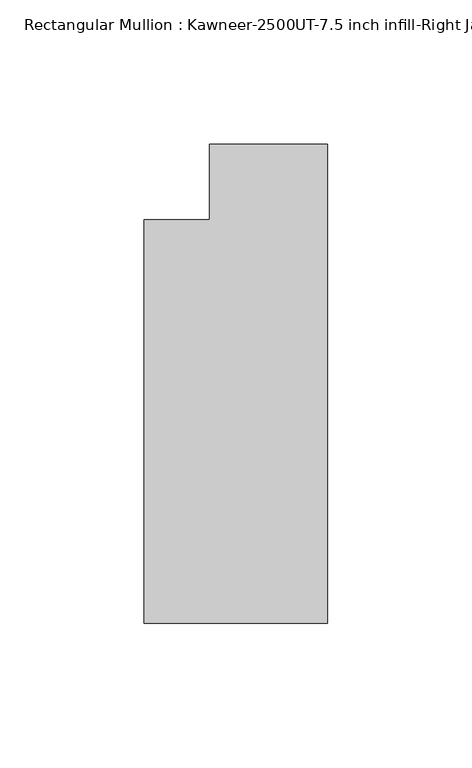
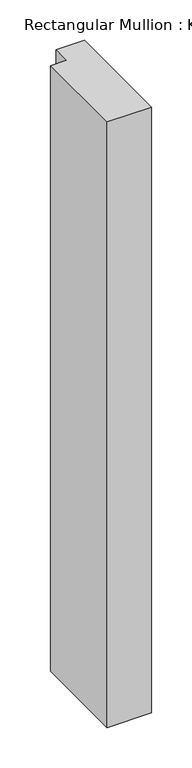
"""IFC4 building model written with IfcOpenShell, lengths in millimetres: member geometry, Rectangular Mullion : Kawneer-2500UT-7.5 inch infill-Right Jamb 1 inch infill."""

from ifc_helpers import new_model, si_unit, frame, origin, place, context, project, spatial, polyline, outline, extrude, source, transform, mapped, element, save


def rectangular_mullion_kawneer_2500ut_7_5_inch_infill_right_ecddf901(model_context):
    return source(origin(), model_context, "Body", "SweptSolid", [
        extrude(outline(polyline([(0.0, -190.563495), (-63.5, -190.563495), (-63.5, -50.863495), (-40.9613636, -50.863495), (-40.9613636, -24.8386383), (0.0, -24.8386383), (0.0, -190.563495)])), frame((0.0, 0.0, -914.4), z_axis=(0.0, 0.0, 1.0), x_axis=(1.0, 0.0, 0.0)), (0.0, 0.0, 1.0), 914.4),
    ])


if __name__ == "__main__":
    model = new_model("IFC4")
    model_context = context("Model", 3, world=origin())
    ifc_project = project(units=[si_unit("LENGTHUNIT", "METRE", prefix="MILLI")], contexts=[model_context])
    site = spatial("IfcSite", under=ifc_project)
    building = spatial("IfcBuilding", under=site)
    placement = place(None, origin())
    rectangular_mullion_kawneer_2500ut_7_5_inch_infill_right_shape = rectangular_mullion_kawneer_2500ut_7_5_inch_infill_right_ecddf901(model_context)
    element("IfcMember", 1, ObjectType="Rectangular Mullion : Kawneer-2500UT-7.5 inch infill-Right Jamb 1 inch infill", at=placement, inside=building, context=model_context, shape_type="MappedRepresentation", body=[
        mapped(rectangular_mullion_kawneer_2500ut_7_5_inch_infill_right_shape, transform((0.0, 0.0, 0.0), x_axis=(1.0, 0.0, 0.0), y_axis=(0.0, 1.0, 0.0), z_axis=(0.0, 0.0, 1.0))),
    ])
    save(model, "model.ifc")
